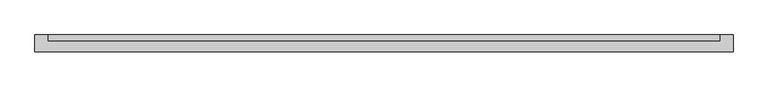
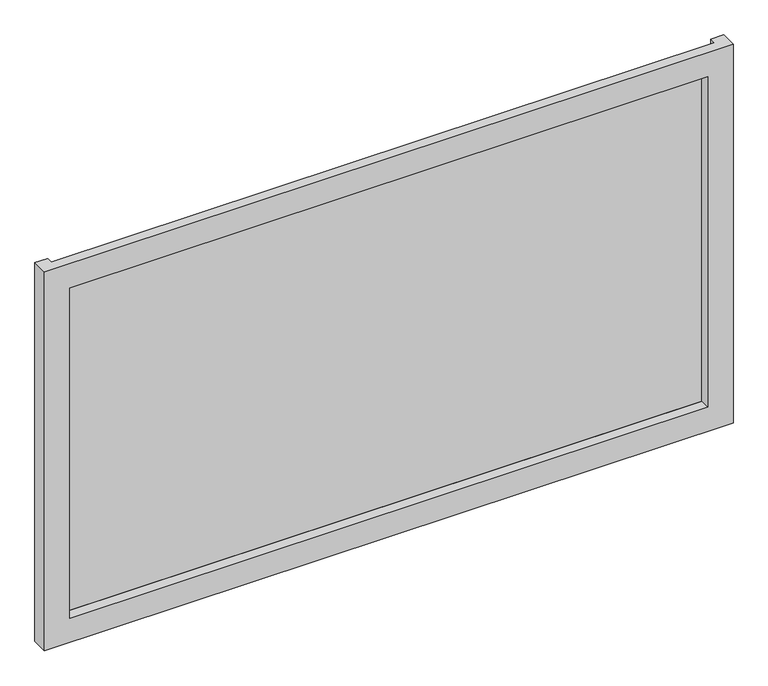
"""IFC4 building model written with IfcOpenShell, lengths in millimetres: plate geometry."""

from ifc_helpers import new_model, si_unit, origin, origin_with_axes, place, context, project, spatial, polyline, outline, extrude, faceted_brep, source, transform, mapped, element, save


def plate_da64db43(model_context):
    return source(origin(), model_context, "Body", "SolidModel", [
        faceted_brep([(675.0, -50.9, -50.0), (675.0, -83.3, -50.0), (-675.0, -83.3, -50.0), (-675.0, -50.9, -50.0), (-650.0, -50.9, -50.0), (-650.0, -63.3, -50.0), (650.0, -63.3, -50.0), (650.0, -50.9, -50.0), (625.0, -83.3, 0.0), (625.0, -63.3, 0.0), (-625.0, -63.3, 0.0), (-625.0, -83.3, 0.0), (675.0, -83.3, 735.0), (-675.0, -83.3, 735.0), (-625.0, -83.3, 685.0), (625.0, -83.3, 685.0), (-650.0, -63.3, 735.0), (650.0, -63.3, 735.0), (625.0, -63.3, 685.0), (-625.0, -63.3, 685.0), (675.0, -50.9, 735.0), (650.0, -50.9, 735.0), (-650.0, -50.9, 735.0), (-675.0, -50.9, 735.0)], [[[0, 1, 2, 3, 4, 5, 6, 7]], [[8, 9, 10, 11]], [[12, 13, 2, 1], [11, 14, 15, 8]], [[16, 17, 6, 5], [9, 18, 19, 10]], [[20, 21, 17, 16, 22, 23, 13, 12]], [[20, 0, 7, 21]], [[21, 7, 6, 17]], [[8, 15, 18, 9]], [[12, 1, 0, 20]], [[22, 4, 3, 23]], [[16, 5, 4, 22]], [[10, 19, 14, 11]], [[23, 3, 2, 13]], [[18, 15, 14, 19]]]),
        extrude(outline(polyline([(650.0, -50.9), (650.0, -63.3), (-650.0, -63.3), (-650.0, -50.9), (650.0, -50.9)])), origin_with_axes(), (0.0, 0.0, 1.0), 685.0),
    ])


if __name__ == "__main__":
    model = new_model("IFC4")
    model_context = context("Model", 3, world=origin())
    ifc_project = project(units=[si_unit("LENGTHUNIT", "METRE", prefix="MILLI")], contexts=[model_context])
    site = spatial("IfcSite", under=ifc_project)
    building = spatial("IfcBuilding", under=site)
    placement = place(None, origin())
    plate_shape = plate_da64db43(model_context)
    element("IfcPlate", 1, at=placement, inside=building, context=model_context, shape_type="MappedRepresentation", body=[
        mapped(plate_shape, transform((0.0, 0.0, 0.0), x_axis=(1.0, 0.0, 0.0), y_axis=(0.0, 1.0, 0.0), z_axis=(0.0, 0.0, 1.0))),
    ])
    save(model, "model.ifc")
